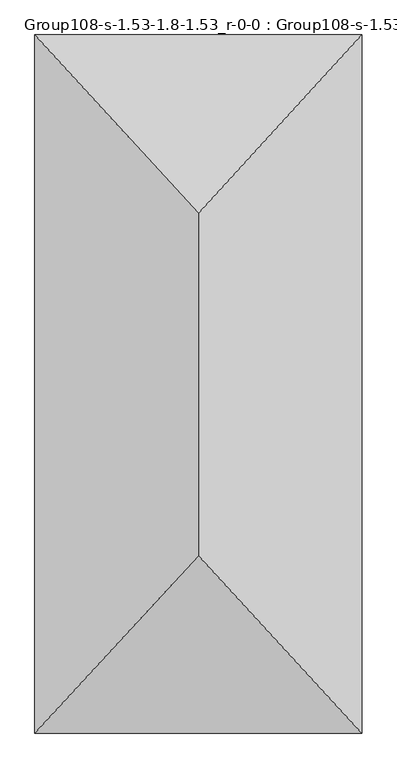
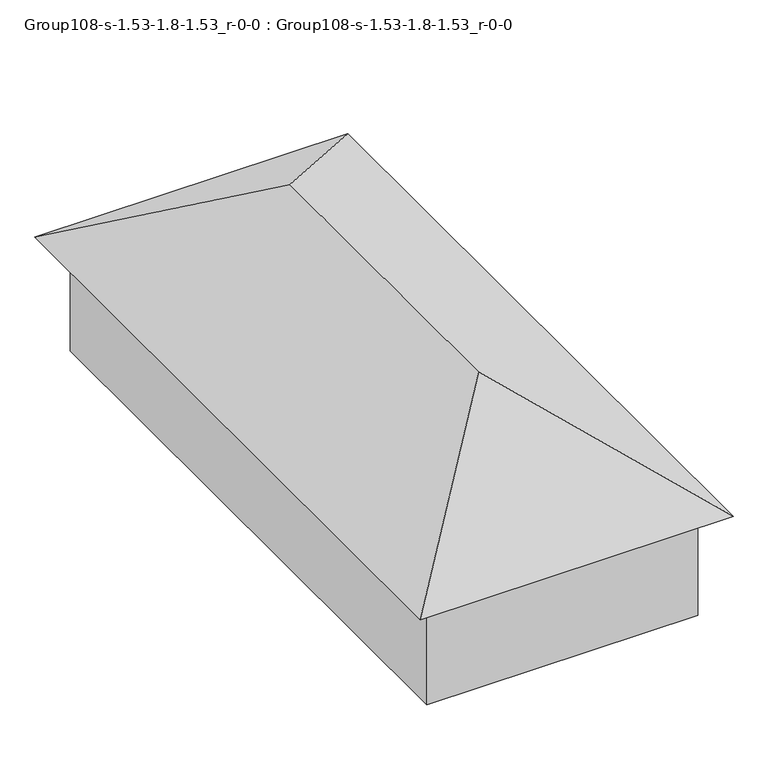
"""IFC4 building model written with IfcOpenShell, lengths in millimetres: geographic element geometry, Group108-s-1.53-1.8-1.53_r-0-0 : Group108-s-1.53-1.8-1.53_r-0-0."""

import ifcopenshell
import ifcopenshell.guid

model = None  # the IFC model being written
_history = None  # IfcOwnerHistory: only IFC2X3 demands one
_inside = {}  # id of a spatial element -> (the spatial element, [elements in it])
_under = {}  # id of a project, library or spatial element -> (it, [spatial elements below it])
_declared = {}  # id of a project -> (the project, [libraries it declares])
_typed = {}  # id of a type object -> (the type object, [elements of that type])
_made_of = {}  # id of a material, layer set ... -> (it, [elements and type objects made of it])


def new_model(schema):
    """Start an empty IFC model of exactly this schema.

    Asked for "IFC4X3", IfcOpenShell would pick the latest addendum, in which some entities
    have other attributes; the version numbers below select the first issue.
    IFC2X3 requires an IfcOwnerHistory on every rooted entity: one is made here for all.
    """
    global model, _history
    if schema == "IFC4X3":
        model = ifcopenshell.file(schema_version=(4, 3, 0, 0))
    else:
        model = ifcopenshell.file(schema=schema)
    _inside.clear()
    _under.clear()
    _declared.clear()
    _typed.clear()
    _made_of.clear()
    _history = None
    if model.schema == "IFC2X3":
        org = make("IfcOrganization", Name="unknown")
        user = make(
            "IfcPersonAndOrganization",
            ThePerson=make("IfcPerson", FamilyName="unknown"),
            TheOrganization=org,
        )
        app = make(
            "IfcApplication",
            ApplicationDeveloper=org,
            Version="unknown",
            ApplicationFullName="unknown",
            ApplicationIdentifier="unknown",
        )
        _history = make(
            "IfcOwnerHistory",
            OwningUser=user,
            OwningApplication=app,
            ChangeAction="ADDED",
            CreationDate=0,
        )
    return model


def make(cls, **values):
    """One entity of the class cls with the attributes given. An attribute that is None is left unset."""
    return model.create_entity(
        cls, **{name: value for name, value in values.items() if value is not None}
    )


def rooted(cls, **values):
    """An entity with a GlobalId (a new one), such as an element, a storey or a relation."""
    return make(cls, GlobalId=ifcopenshell.guid.new(), OwnerHistory=_history, **values)


def si_unit(unit_type, name, prefix=None):
    """IfcSIUnit, for example si_unit("LENGTHUNIT", "METRE", prefix="MILLI")."""
    return make("IfcSIUnit", UnitType=unit_type, Prefix=prefix, Name=name)


def assignment(units):
    """IfcUnitAssignment: the units of a project."""
    return None if units is None else make("IfcUnitAssignment", Units=units)


def point(xyz):
    """IfcCartesianPoint."""
    return None if xyz is None else make("IfcCartesianPoint", Coordinates=xyz)


def direction(xyz):
    """IfcDirection."""
    return None if xyz is None else make("IfcDirection", DirectionRatios=xyz)


def frame(location, z_axis=None, x_axis=None):
    """IfcAxis2Placement3D, a coordinate frame: its origin and axes. An axis left out is left unset."""
    return make(
        "IfcAxis2Placement3D",
        Location=point(location),
        Axis=direction(z_axis),
        RefDirection=direction(x_axis),
    )


def origin():
    """The frame at (0, 0, 0) with its axes left unset."""
    return frame((0.0, 0.0, 0.0))


def place(relative_to, where):
    """IfcLocalPlacement: puts the frame where relative to a parent placement (None: the world)."""
    return make(
        "IfcLocalPlacement", PlacementRelTo=relative_to, RelativePlacement=where
    )


def context(
    kind, dimensions, precision=None, world=None, true_north=None, identifier=None
):
    """IfcGeometricRepresentationContext, for example the 3D "Model" context."""
    return make(
        "IfcGeometricRepresentationContext",
        ContextIdentifier=identifier,
        ContextType=kind,
        CoordinateSpaceDimension=dimensions,
        Precision=precision,
        WorldCoordinateSystem=world,
        TrueNorth=true_north,
    )


def project(units=None, contexts=None):
    """IfcProject with its units and contexts."""
    return rooted(
        "IfcProject",
        Name="project",
        RepresentationContexts=contexts,
        UnitsInContext=assignment(units),
    )


def spatial(cls, under=None, at=None, **own):
    """A site, building, storey or space (cls), placed at a placement, below another one or the project."""
    s = rooted(cls, ObjectPlacement=at, **own)
    if under is not None:
        _under.setdefault(under.id(), (under, []))[1].append(s)
    return s


def point_list(points):
    """IfcCartesianPointList2D or 3D."""
    cls = (
        "IfcCartesianPointList2D" if len(points[0]) == 2 else "IfcCartesianPointList3D"
    )
    return make(cls, CoordList=points)


def triangles(points, corners, closed=None, point_numbers=None):
    """IfcTriangulatedFaceSet: each triangle names its three corners, points numbered from 1."""
    return make(
        "IfcTriangulatedFaceSet",
        Coordinates=point_list(points),
        Closed=closed,
        CoordIndex=corners,
        PnIndex=point_numbers,
    )


def shape(context_of_items, identifier, shape_type, items):
    """IfcShapeRepresentation: the items that make up one representation, for example the "Body"."""
    return make(
        "IfcShapeRepresentation",
        ContextOfItems=context_of_items,
        RepresentationIdentifier=identifier,
        RepresentationType=shape_type,
        Items=items,
    )


def source(mapping_origin, context_of_items, identifier, shape_type, items):
    """IfcRepresentationMap: a shape defined once, which mapped items show again and again."""
    return make(
        "IfcRepresentationMap",
        MappingOrigin=mapping_origin,
        MappedRepresentation=shape(context_of_items, identifier, shape_type, items),
    )


def transform(
    local_origin,
    x_axis=None,
    y_axis=None,
    z_axis=None,
    scale=None,
    scale2=None,
    scale3=None,
    uniform=True,
):
    """IfcCartesianTransformationOperator3D, or its non-uniform kind. x_axis, y_axis, z_axis: its Axis1, 2, 3."""
    if uniform:
        return make(
            "IfcCartesianTransformationOperator3D",
            Axis1=direction(x_axis),
            Axis2=direction(y_axis),
            LocalOrigin=point(local_origin),
            Scale=scale,
            Axis3=direction(z_axis),
        )
    return make(
        "IfcCartesianTransformationOperator3DnonUniform",
        Axis1=direction(x_axis),
        Axis2=direction(y_axis),
        LocalOrigin=point(local_origin),
        Scale=scale,
        Axis3=direction(z_axis),
        Scale2=scale2,
        Scale3=scale3,
    )


def mapped(mapping_source, mapping_target):
    """IfcMappedItem: shows the shape of a source again, moved by a transform."""
    return make(
        "IfcMappedItem", MappingSource=mapping_source, MappingTarget=mapping_target
    )


def made_of(thing, what):
    """Note that an element or type object is made of a material, layer set ...; save() writes the relation."""
    if what is not None:
        _made_of.setdefault(what.id(), (what, []))[1].append(thing)
    return thing


def element(
    cls,
    number,
    at=None,
    inside=None,
    cuts=None,
    type_object=None,
    material=None,
    context=None,
    identifier="Body",
    shape_type=None,
    held_by="IfcProductDefinitionShape",
    body=None,
    shapes=None,
    **own,
):
    """One element of the class cls, such as IfcWall. Its Tag is "e" and its number.

    at: its placement. inside: the storey or other place that contains it. cuts: it is an
    opening in that element (IfcRelVoidsElement). A single representation is given by context,
    identifier, shape_type and body (its items); several are given by shapes. held_by: the class
    of the entity that holds the representations. save() writes the other relations.
    """
    e = rooted(cls, Tag="e%d" % number, ObjectPlacement=at, **own)
    if body is not None:
        shapes = [shape(context, identifier, shape_type, body)]
    if shapes is not None:
        e.Representation = make(held_by, Representations=shapes)
    if inside is not None:
        _inside.setdefault(inside.id(), (inside, []))[1].append(e)
    if cuts is not None:
        rooted(
            "IfcRelVoidsElement", RelatingBuildingElement=cuts, RelatedOpeningElement=e
        )
    if type_object is not None:
        _typed.setdefault(type_object.id(), (type_object, []))[1].append(e)
    return made_of(e, material)


def aggregate(whole, parts):
    """IfcRelAggregates: a whole, such as a stair, and the parts it consists of."""
    return rooted("IfcRelAggregates", RelatingObject=whole, RelatedObjects=parts)


def save(model, path):
    """Write the relations noted so far, then the file.

    IfcRelAggregates (storeys below a building ...), IfcRelContainedInSpatialStructure (elements
    in a storey), IfcRelDefinesByType, IfcRelAssociatesMaterial and IfcRelDeclares: one each for
    every whole, place, type object, material and project.
    """
    for whole, parts in _under.values():
        aggregate(whole, parts)
    for where, things in _inside.values():
        rooted(
            "IfcRelContainedInSpatialStructure",
            RelatedElements=things,
            RelatingStructure=where,
        )
    for kind, things in _typed.values():
        rooted("IfcRelDefinesByType", RelatedObjects=things, RelatingType=kind)
    for what, things in _made_of.values():
        rooted("IfcRelAssociatesMaterial", RelatedObjects=things, RelatingMaterial=what)
    for by, libraries in _declared.values():
        rooted("IfcRelDeclares", RelatingContext=by, RelatedDefinitions=libraries)
    model.write(path)


def group108_s_1_53_1_8_1_53_r_0_0_group108_s_1_53_1_8_1_53_r_0_46b5bde5(model_context):
    return source(origin(), model_context, "Body", "Tessellation", [
        triangles([(9065.9698792, 19961.3001892, 3494.4945488), (652.6682287, 19961.3001892, 0.0), (652.6682287, 19961.3001892, 3494.4945488), (9065.9698792, 19961.3001892, 0.0), (9065.9698792, 770.1485579, 0.0), (652.6682287, 770.1485579, 3494.4945488), (652.6682287, 770.1485579, 0.0), (9065.9698792, 770.1485579, 3494.4945488), (4859.3190903, 15428.6547638, 6740.8391281), (9718.6381805, 20731.4485291, 3494.4945488), (0.0, 20731.4485291, 3494.4945488), (9718.6381805, 0.0, 3494.4945488), (4859.3190903, 5268.698172, 6740.8391281), (0.0, 0.0, 3494.4945488)], [[1, 2, 3], [2, 1, 4], [5, 6, 7], [6, 5, 8], [5, 2, 4], [2, 5, 7], [6, 2, 7], [2, 6, 3], [1, 5, 4], [5, 1, 8], [6, 1, 3], [1, 6, 8], [9, 10, 11], [12, 13, 14], [12, 11, 10], [11, 12, 14], [14, 9, 11], [9, 14, 13], [9, 12, 10], [12, 9, 13]]),
    ])


if __name__ == "__main__":
    model = new_model("IFC4")
    model_context = context("Model", 3, world=origin())
    ifc_project = project(units=[si_unit("LENGTHUNIT", "METRE", prefix="MILLI")], contexts=[model_context])
    site = spatial("IfcSite", under=ifc_project)
    building = spatial("IfcBuilding", under=site)
    placement = place(None, origin())
    group108_s_1_53_1_8_1_53_r_0_0_group108_s_1_53_1_8_1_53_r_0_shape = group108_s_1_53_1_8_1_53_r_0_0_group108_s_1_53_1_8_1_53_r_0_46b5bde5(model_context)
    element("IfcGeographicElement", 1, ObjectType="Group108-s-1.53-1.8-1.53_r-0-0 : Group108-s-1.53-1.8-1.53_r-0-0", at=placement, inside=building, context=model_context, shape_type="MappedRepresentation", body=[
        mapped(group108_s_1_53_1_8_1_53_r_0_0_group108_s_1_53_1_8_1_53_r_0_shape, transform((0.0, 0.0, 0.0), x_axis=(1.0, 0.0, 0.0), y_axis=(0.0, 1.0, 0.0), z_axis=(0.0, 0.0, 1.0))),
    ])
    save(model, "model.ifc")
